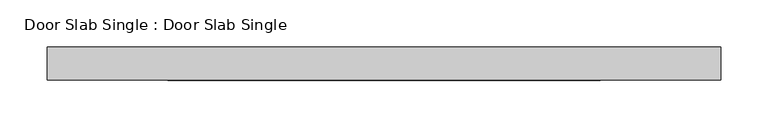
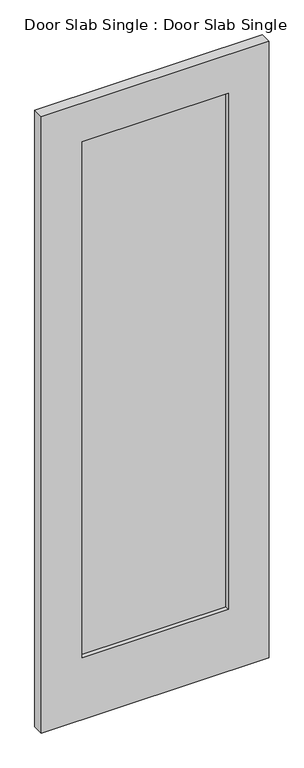
"""IFC4 building model written with IfcOpenShell, lengths in millimetres: proxy geometry, Door Slab Single : Door Slab Single."""

from ifc_helpers import new_model, si_unit, frame, origin, place, context, project, spatial, polyline, outline, extrude, source, transform, mapped, element, save


def door_slab_single_door_slab_single_00bb2c8c(model_context):
    return source(origin(), model_context, "Body", "SweptSolid", [
        extrude(outline(polyline([(228.6, -3.175), (-228.6, -3.175), (-228.6, 3.175), (228.6, 3.175), (228.6, -3.175)])), frame((0.0, 0.0, 203.2), z_axis=(0.0, 0.0, 1.0), x_axis=(1.0, 0.0, 0.0)), (0.0, 0.0, 1.0), 1701.8),
        extrude(outline(polyline([(0.0, 355.6), (2032.0, 355.6), (2032.0, -355.6), (0.0, -355.6), (0.0, 355.6)]), holes=[polyline([(203.2, 228.6), (203.2, -228.6), (1905.0, -228.6), (1905.0, 228.6), (203.2, 228.6)])]), frame((0.0, -17.4625, 0.0), z_axis=(0.0, 1.0, 0.0), x_axis=(0.0, 0.0, 1.0)), (0.0, 0.0, 1.0), 34.925),
    ])


if __name__ == "__main__":
    model = new_model("IFC4")
    model_context = context("Model", 3, world=origin())
    ifc_project = project(units=[si_unit("LENGTHUNIT", "METRE", prefix="MILLI")], contexts=[model_context])
    site = spatial("IfcSite", under=ifc_project)
    building = spatial("IfcBuilding", under=site)
    placement = place(None, origin())
    door_slab_single_door_slab_single_shape = door_slab_single_door_slab_single_00bb2c8c(model_context)
    element("IfcBuildingElementProxy", 1, Name="Door Slab Single : Door Slab Single", ObjectType="Door Slab Single : Door Slab Single", at=placement, inside=building, context=model_context, shape_type="MappedRepresentation", body=[
        mapped(door_slab_single_door_slab_single_shape, transform((0.0, 0.0, 0.0), x_axis=(1.0, 0.0, 0.0), y_axis=(0.0, 1.0, 0.0), z_axis=(0.0, 0.0, 1.0))),
    ])
    save(model, "model.ifc")
